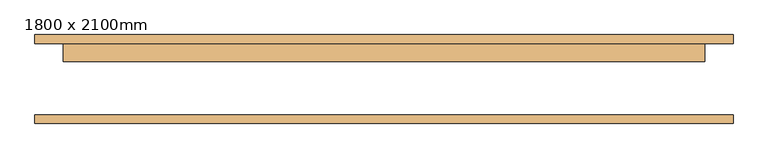
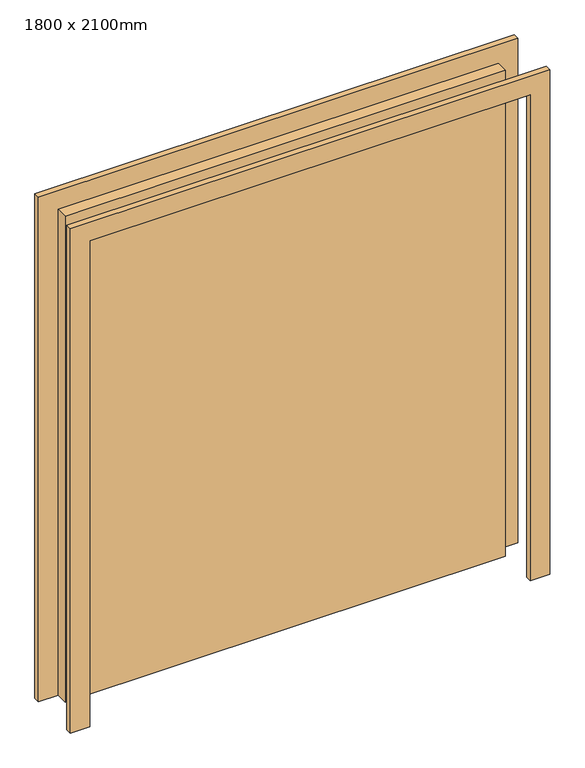
"""IFC4 building model written with IfcOpenShell, lengths in millimetres: door geometry, 1800 x 2100mm."""

import ifcopenshell
import ifcopenshell.guid

model = None  # the IFC model being written
_history = None  # IfcOwnerHistory: only IFC2X3 demands one
_inside = {}  # id of a spatial element -> (the spatial element, [elements in it])
_under = {}  # id of a project, library or spatial element -> (it, [spatial elements below it])
_declared = {}  # id of a project -> (the project, [libraries it declares])
_typed = {}  # id of a type object -> (the type object, [elements of that type])
_made_of = {}  # id of a material, layer set ... -> (it, [elements and type objects made of it])


def new_model(schema):
    """Start an empty IFC model of exactly this schema.

    Asked for "IFC4X3", IfcOpenShell would pick the latest addendum, in which some entities
    have other attributes; the version numbers below select the first issue.
    IFC2X3 requires an IfcOwnerHistory on every rooted entity: one is made here for all.
    """
    global model, _history
    if schema == "IFC4X3":
        model = ifcopenshell.file(schema_version=(4, 3, 0, 0))
    else:
        model = ifcopenshell.file(schema=schema)
    _inside.clear()
    _under.clear()
    _declared.clear()
    _typed.clear()
    _made_of.clear()
    _history = None
    if model.schema == "IFC2X3":
        org = make("IfcOrganization", Name="unknown")
        user = make(
            "IfcPersonAndOrganization",
            ThePerson=make("IfcPerson", FamilyName="unknown"),
            TheOrganization=org,
        )
        app = make(
            "IfcApplication",
            ApplicationDeveloper=org,
            Version="unknown",
            ApplicationFullName="unknown",
            ApplicationIdentifier="unknown",
        )
        _history = make(
            "IfcOwnerHistory",
            OwningUser=user,
            OwningApplication=app,
            ChangeAction="ADDED",
            CreationDate=0,
        )
    return model


def make(cls, **values):
    """One entity of the class cls with the attributes given. An attribute that is None is left unset."""
    return model.create_entity(
        cls, **{name: value for name, value in values.items() if value is not None}
    )


def rooted(cls, **values):
    """An entity with a GlobalId (a new one), such as an element, a storey or a relation."""
    return make(cls, GlobalId=ifcopenshell.guid.new(), OwnerHistory=_history, **values)


def si_unit(unit_type, name, prefix=None):
    """IfcSIUnit, for example si_unit("LENGTHUNIT", "METRE", prefix="MILLI")."""
    return make("IfcSIUnit", UnitType=unit_type, Prefix=prefix, Name=name)


def assignment(units):
    """IfcUnitAssignment: the units of a project."""
    return None if units is None else make("IfcUnitAssignment", Units=units)


def point(xyz):
    """IfcCartesianPoint."""
    return None if xyz is None else make("IfcCartesianPoint", Coordinates=xyz)


def direction(xyz):
    """IfcDirection."""
    return None if xyz is None else make("IfcDirection", DirectionRatios=xyz)


def frame(location, z_axis=None, x_axis=None):
    """IfcAxis2Placement3D, a coordinate frame: its origin and axes. An axis left out is left unset."""
    return make(
        "IfcAxis2Placement3D",
        Location=point(location),
        Axis=direction(z_axis),
        RefDirection=direction(x_axis),
    )


def origin():
    """The frame at (0, 0, 0) with its axes left unset."""
    return frame((0.0, 0.0, 0.0))


def origin_with_axes():
    """The frame at (0, 0, 0) with the z axis (0, 0, 1) and the x axis (1, 0, 0) written out."""
    return frame((0.0, 0.0, 0.0), z_axis=(0.0, 0.0, 1.0), x_axis=(1.0, 0.0, 0.0))


def place(relative_to, where):
    """IfcLocalPlacement: puts the frame where relative to a parent placement (None: the world)."""
    return make(
        "IfcLocalPlacement", PlacementRelTo=relative_to, RelativePlacement=where
    )


def context(
    kind, dimensions, precision=None, world=None, true_north=None, identifier=None
):
    """IfcGeometricRepresentationContext, for example the 3D "Model" context."""
    return make(
        "IfcGeometricRepresentationContext",
        ContextIdentifier=identifier,
        ContextType=kind,
        CoordinateSpaceDimension=dimensions,
        Precision=precision,
        WorldCoordinateSystem=world,
        TrueNorth=true_north,
    )


def project(units=None, contexts=None):
    """IfcProject with its units and contexts."""
    return rooted(
        "IfcProject",
        Name="project",
        RepresentationContexts=contexts,
        UnitsInContext=assignment(units),
    )


def spatial(cls, under=None, at=None, **own):
    """A site, building, storey or space (cls), placed at a placement, below another one or the project."""
    s = rooted(cls, ObjectPlacement=at, **own)
    if under is not None:
        _under.setdefault(under.id(), (under, []))[1].append(s)
    return s


def polyline(points):
    """IfcPolyline through the points."""
    return make("IfcPolyline", Points=[point(p) for p in points])


def outline(outer, holes=None, kind="AREA"):
    """IfcArbitraryClosedProfileDef: a profile drawn as a closed curve; with holes, ...WithVoids."""
    if holes is None:
        return make("IfcArbitraryClosedProfileDef", ProfileType=kind, OuterCurve=outer)
    return make(
        "IfcArbitraryProfileDefWithVoids",
        ProfileType=kind,
        OuterCurve=outer,
        InnerCurves=holes,
    )


def extrude(swept, where, along, depth):
    """IfcExtrudedAreaSolid: the profile swept, set in the frame where, extruded along a direction by depth."""
    return make(
        "IfcExtrudedAreaSolid",
        SweptArea=swept,
        Position=where,
        ExtrudedDirection=direction(along),
        Depth=depth,
    )


def shape(context_of_items, identifier, shape_type, items):
    """IfcShapeRepresentation: the items that make up one representation, for example the "Body"."""
    return make(
        "IfcShapeRepresentation",
        ContextOfItems=context_of_items,
        RepresentationIdentifier=identifier,
        RepresentationType=shape_type,
        Items=items,
    )


def source(mapping_origin, context_of_items, identifier, shape_type, items):
    """IfcRepresentationMap: a shape defined once, which mapped items show again and again."""
    return make(
        "IfcRepresentationMap",
        MappingOrigin=mapping_origin,
        MappedRepresentation=shape(context_of_items, identifier, shape_type, items),
    )


def transform(
    local_origin,
    x_axis=None,
    y_axis=None,
    z_axis=None,
    scale=None,
    scale2=None,
    scale3=None,
    uniform=True,
):
    """IfcCartesianTransformationOperator3D, or its non-uniform kind. x_axis, y_axis, z_axis: its Axis1, 2, 3."""
    if uniform:
        return make(
            "IfcCartesianTransformationOperator3D",
            Axis1=direction(x_axis),
            Axis2=direction(y_axis),
            LocalOrigin=point(local_origin),
            Scale=scale,
            Axis3=direction(z_axis),
        )
    return make(
        "IfcCartesianTransformationOperator3DnonUniform",
        Axis1=direction(x_axis),
        Axis2=direction(y_axis),
        LocalOrigin=point(local_origin),
        Scale=scale,
        Axis3=direction(z_axis),
        Scale2=scale2,
        Scale3=scale3,
    )


def mapped(mapping_source, mapping_target):
    """IfcMappedItem: shows the shape of a source again, moved by a transform."""
    return make(
        "IfcMappedItem", MappingSource=mapping_source, MappingTarget=mapping_target
    )


def made_of(thing, what):
    """Note that an element or type object is made of a material, layer set ...; save() writes the relation."""
    if what is not None:
        _made_of.setdefault(what.id(), (what, []))[1].append(thing)
    return thing


def element(
    cls,
    number,
    at=None,
    inside=None,
    cuts=None,
    type_object=None,
    material=None,
    context=None,
    identifier="Body",
    shape_type=None,
    held_by="IfcProductDefinitionShape",
    body=None,
    shapes=None,
    **own,
):
    """One element of the class cls, such as IfcWall. Its Tag is "e" and its number.

    at: its placement. inside: the storey or other place that contains it. cuts: it is an
    opening in that element (IfcRelVoidsElement). A single representation is given by context,
    identifier, shape_type and body (its items); several are given by shapes. held_by: the class
    of the entity that holds the representations. save() writes the other relations.
    """
    e = rooted(cls, Tag="e%d" % number, ObjectPlacement=at, **own)
    if body is not None:
        shapes = [shape(context, identifier, shape_type, body)]
    if shapes is not None:
        e.Representation = make(held_by, Representations=shapes)
    if inside is not None:
        _inside.setdefault(inside.id(), (inside, []))[1].append(e)
    if cuts is not None:
        rooted(
            "IfcRelVoidsElement", RelatingBuildingElement=cuts, RelatedOpeningElement=e
        )
    if type_object is not None:
        _typed.setdefault(type_object.id(), (type_object, []))[1].append(e)
    return made_of(e, material)


def aggregate(whole, parts):
    """IfcRelAggregates: a whole, such as a stair, and the parts it consists of."""
    return rooted("IfcRelAggregates", RelatingObject=whole, RelatedObjects=parts)


def save(model, path):
    """Write the relations noted so far, then the file.

    IfcRelAggregates (storeys below a building ...), IfcRelContainedInSpatialStructure (elements
    in a storey), IfcRelDefinesByType, IfcRelAssociatesMaterial and IfcRelDeclares: one each for
    every whole, place, type object, material and project.
    """
    for whole, parts in _under.values():
        aggregate(whole, parts)
    for where, things in _inside.values():
        rooted(
            "IfcRelContainedInSpatialStructure",
            RelatedElements=things,
            RelatingStructure=where,
        )
    for kind, things in _typed.values():
        rooted("IfcRelDefinesByType", RelatedObjects=things, RelatingType=kind)
    for what, things in _made_of.values():
        rooted("IfcRelAssociatesMaterial", RelatedObjects=things, RelatingMaterial=what)
    for by, libraries in _declared.values():
        rooted("IfcRelDeclares", RelatingContext=by, RelatedDefinitions=libraries)
    model.write(path)


def door_1800_x_2100mm_41258359(model_context):
    return source(origin(), model_context, "Body", "SweptSolid", [
        extrude(outline(polyline([(2180.0, -980.0), (0.0, -980.0), (0.0, -900.0), (2100.0, -900.0), (2100.0, 900.0), (0.0, 900.0), (0.0, 980.0), (2180.0, 980.0), (2180.0, -980.0)])), frame((0.0, 100.0, 0.0), z_axis=(0.0, 1.0, 0.0), x_axis=(0.0, 0.0, 1.0)), (0.0, 0.0, 1.0), 25.0),
        extrude(outline(polyline([(2100.0, -900.0), (2100.0, 900.0), (0.0, 900.0), (0.0, 980.0), (2180.0, 980.0), (2180.0, -980.0), (0.0, -980.0), (0.0, -900.0), (2100.0, -900.0)])), frame((0.0, -125.0, 0.0), z_axis=(0.0, 1.0, 0.0), x_axis=(0.0, 0.0, 1.0)), (0.0, 0.0, 1.0), 25.0),
        extrude(outline(polyline([(-900.0, 100.0), (900.0, 100.0), (900.0, 50.0), (-900.0, 50.0), (-900.0, 100.0)])), origin_with_axes(), (0.0, 0.0, 1.0), 2100.0),
    ])


if __name__ == "__main__":
    model = new_model("IFC4")
    model_context = context("Model", 3, world=origin())
    ifc_project = project(units=[si_unit("LENGTHUNIT", "METRE", prefix="MILLI")], contexts=[model_context])
    site = spatial("IfcSite", under=ifc_project)
    building = spatial("IfcBuilding", under=site)
    placement = place(None, origin())
    door_1800_x_2100mm_shape = door_1800_x_2100mm_41258359(model_context)
    element("IfcDoor", 1, ObjectType="1800 x 2100mm", at=placement, inside=building, context=model_context, shape_type="MappedRepresentation", body=[
        mapped(door_1800_x_2100mm_shape, transform((0.0, 0.0, 0.0), x_axis=(1.0, 0.0, 0.0), y_axis=(0.0, 1.0, 0.0), z_axis=(0.0, 0.0, 1.0))),
    ])
    save(model, "model.ifc")
